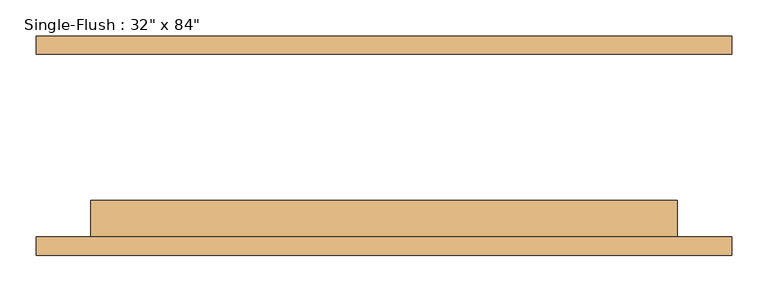
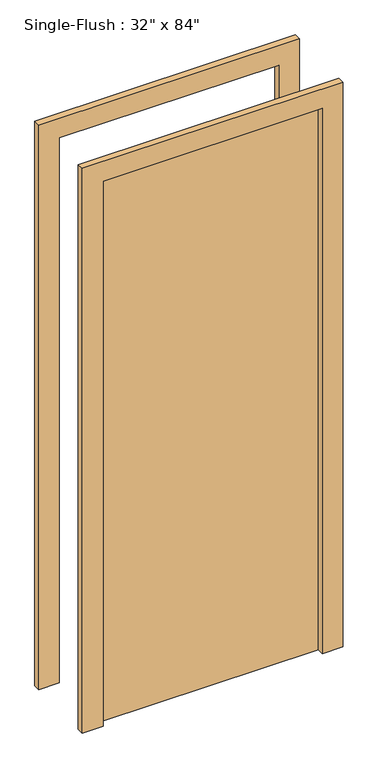
"""IFC4 building model written with IfcOpenShell, lengths in millimetres: door geometry."""

from ifc_helpers import new_model, si_unit, frame, origin, origin_with_axes, place, context, project, spatial, polyline, outline, extrude, source, transform, mapped, element, save


def door_b68130e7(model_context):
    return source(origin(), model_context, "Body", "SweptSolid", [
        extrude(outline(polyline([(2209.8, -482.6), (0.0, -482.6), (0.0, -406.4), (2133.6, -406.4), (2133.6, 406.4), (0.0, 406.4), (0.0, 482.6), (2209.8, 482.6), (2209.8, -482.6)])), frame((0.0, -152.4, 0.0), z_axis=(0.0, 1.0, 0.0), x_axis=(0.0, 0.0, 1.0)), (0.0, 0.0, 1.0), 25.4),
        extrude(outline(polyline([(2209.8, 482.6), (2209.8, -482.6), (0.0, -482.6), (0.0, -406.4), (2133.6, -406.4), (2133.6, 406.4), (0.0, 406.4), (0.0, 482.6), (2209.8, 482.6)])), frame((0.0, 127.0, 0.0), z_axis=(0.0, 1.0, 0.0), x_axis=(0.0, 0.0, 1.0)), (0.0, 0.0, 1.0), 25.4),
        extrude(outline(polyline([(406.4, -76.2), (406.4, -127.0), (-406.4, -127.0), (-406.4, -76.2), (406.4, -76.2)])), origin_with_axes(), (0.0, 0.0, 1.0), 2133.6),
    ])


if __name__ == "__main__":
    model = new_model("IFC4")
    model_context = context("Model", 3, world=origin())
    ifc_project = project(units=[si_unit("LENGTHUNIT", "METRE", prefix="MILLI")], contexts=[model_context])
    site = spatial("IfcSite", under=ifc_project)
    building = spatial("IfcBuilding", under=site)
    placement = place(None, origin())
    door_shape = door_b68130e7(model_context)
    element("IfcDoor", 1, ObjectType="Single-Flush : 32\" x 84\"", at=placement, inside=building, context=model_context, shape_type="MappedRepresentation", body=[
        mapped(door_shape, transform((0.0, 0.0, 0.0), x_axis=(1.0, 0.0, 0.0), y_axis=(0.0, 1.0, 0.0), z_axis=(0.0, 0.0, 1.0))),
    ])
    save(model, "model.ifc")
